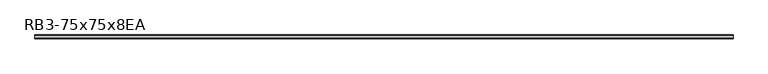
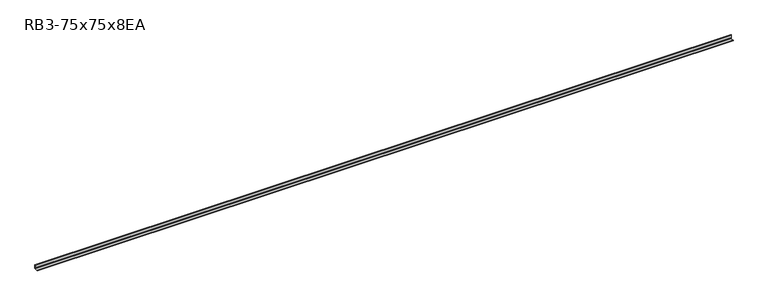
"""IFC4 building model written with IfcOpenShell, lengths in millimetres: member geometry, RB3-75x75x8EA."""

from ifc_helpers import new_model, si_unit, point, frame, frame_2d, origin, place, context, project, spatial, polyline, circle_curve, trimmed, segment, composite_curve, outline, extrude, source, transform, mapped, element, save


def rb3_75x75x8ea_0cb1c88b(model_context):
    return source(origin(), model_context, "Body", "SweptSolid", [
        extrude(outline(composite_curve([segment(polyline([(21.3, -21.3), (-53.7, -21.3), (-53.7, -18.3)]), True, "CONTINUOUS"), segment(trimmed(circle_curve(frame_2d((-48.7, -18.3)), 5.0), [point((-53.7, -18.3))], [point((-48.7, -13.3))], False, "CARTESIAN"), True, "CONTINUOUS"), segment(polyline([(-48.7, -13.3), (5.3, -13.3)]), True, "CONTINUOUS"), segment(trimmed(circle_curve(frame_2d((5.3, -5.3)), 8.0), [point((5.3, -13.3))], [point((13.3, -5.3))], True, "CARTESIAN"), True, "CONTINUOUS"), segment(polyline([(13.3, -5.3), (13.3, 48.7)]), True, "CONTINUOUS"), segment(trimmed(circle_curve(frame_2d((18.3, 48.7)), 5.0), [point((13.3, 48.7))], [point((18.3, 53.7))], False, "CARTESIAN"), True, "CONTINUOUS"), segment(polyline([(18.3, 53.7), (21.3, 53.7), (21.3, -21.3)]), True, "CONTINUOUS")], self_intersect=False)), frame((-6976.5906899, 0.0, 0.0), z_axis=(1.0, 0.0, 0.0), x_axis=(0.0, 1.0, 0.0)), (0.0, 0.0, 1.0), 13844.5906899),
    ])


if __name__ == "__main__":
    model = new_model("IFC4")
    model_context = context("Model", 3, world=origin())
    ifc_project = project(units=[si_unit("LENGTHUNIT", "METRE", prefix="MILLI")], contexts=[model_context])
    site = spatial("IfcSite", under=ifc_project)
    building = spatial("IfcBuilding", under=site)
    placement = place(None, origin())
    rb3_75x75x8ea_shape = rb3_75x75x8ea_0cb1c88b(model_context)
    element("IfcMember", 1, ObjectType="RB3-75x75x8EA", at=placement, inside=building, context=model_context, shape_type="MappedRepresentation", body=[
        mapped(rb3_75x75x8ea_shape, transform((0.0, 0.0, 0.0), x_axis=(1.0, 0.0, 0.0), y_axis=(0.0, 1.0, 0.0), z_axis=(0.0, 0.0, 1.0))),
    ])
    save(model, "model.ifc")
